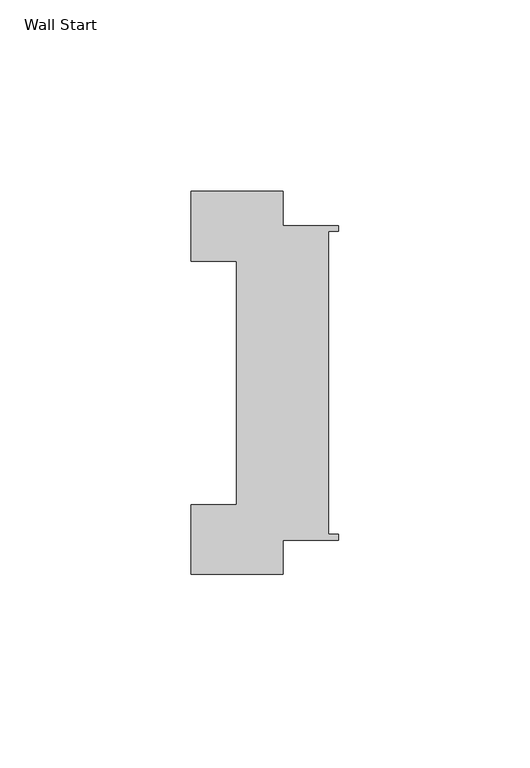
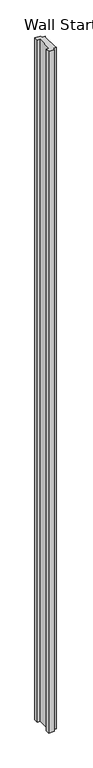
"""IFC4 building model written with IfcOpenShell, lengths in millimetres: proxy geometry, Wall Start."""

from ifc_helpers import new_model, si_unit, origin, origin_with_axes, place, context, project, spatial, polyline, outline, extrude, source, transform, mapped, element, save


def wall_start_478ef738(model_context):
    return source(origin(), model_context, "Body", "SweptSolid", [
        extrude(outline(polyline([(-24.0029992, 50.00625), (0.0, 50.00625), (0.0, 41.0973042), (14.3972008, 41.0973042), (14.3972008, 39.5733011), (11.8572006, 39.5733011), (11.8572006, -39.4844006), (14.3972008, -39.4844006), (14.3972008, -41.0084037), (0.0, -41.0084037), (0.0, -49.9937507), (-24.0029992, -49.9937507), (-24.0029992, -31.7438507), (-12.2428, -31.7438507), (-12.2428, 31.75635), (-24.0029992, 31.75635), (-24.0029992, 50.00625)])), origin_with_axes(), (0.0, 0.0, 1.0), 3048.0),
    ])


if __name__ == "__main__":
    model = new_model("IFC4")
    model_context = context("Model", 3, world=origin())
    ifc_project = project(units=[si_unit("LENGTHUNIT", "METRE", prefix="MILLI")], contexts=[model_context])
    site = spatial("IfcSite", under=ifc_project)
    building = spatial("IfcBuilding", under=site)
    placement = place(None, origin())
    wall_start_shape = wall_start_478ef738(model_context)
    element("IfcBuildingElementProxy", 1, Name="Wall Start", ObjectType="Wall Start", at=placement, inside=building, context=model_context, shape_type="MappedRepresentation", body=[
        mapped(wall_start_shape, transform((0.0, 0.0, 0.0), x_axis=(1.0, 0.0, 0.0), y_axis=(0.0, 1.0, 0.0), z_axis=(0.0, 0.0, 1.0))),
    ])
    save(model, "model.ifc")
